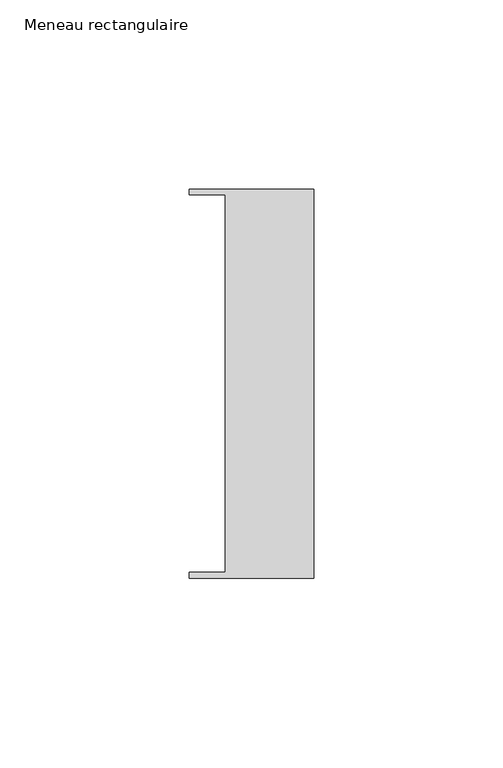
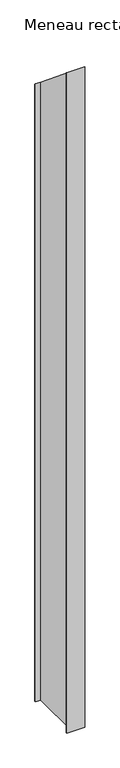
"""IFC4 building model written with IfcOpenShell, lengths in millimetres: member geometry, Meneau rectangulaire."""

from ifc_helpers import new_model, si_unit, origin, place, context, project, spatial, faceted_brep, source, transform, mapped, element, save


def meneau_rectangulaire_a780463f(model_context):
    return source(origin(), model_context, "Body", "Brep", [
        faceted_brep([(-33.0, 51.4622428, -1254.2000003), (0.0, 51.4622428, -1254.2000003), (0.0, -51.4712299, -1254.2000003), (-33.0, -51.4712299, -1254.2000003), (-33.0, -49.9505712, -1254.2000003), (-23.4, -49.9505712, -1254.2000003), (-23.4, 49.9614402, -1254.2000003), (-33.0, 49.9614402, -1254.2000003), (-33.0, 49.9614402, -41.1850331), (-33.0, 51.4622428, -42.4221992), (-23.4, 49.9614402, -41.1850331), (-23.4, -49.9505712, 41.1760733), (-33.0, -49.9505712, 41.1760733), (-33.0, -51.4712299, 42.4296076), (0.0, -51.4712299, 42.4296076), (0.0, 51.4622428, -42.4221992)], [[[0, 1, 2, 3, 4, 5, 6, 7]], [[8, 9, 0, 7]], [[10, 8, 7, 6]], [[11, 10, 6, 5]], [[12, 11, 5, 4]], [[13, 12, 4, 3]], [[14, 13, 3, 2]], [[15, 14, 2, 1]], [[9, 15, 1, 0]], [[9, 8, 10, 11, 12, 13, 14, 15]]]),
    ])


if __name__ == "__main__":
    model = new_model("IFC4")
    model_context = context("Model", 3, world=origin())
    ifc_project = project(units=[si_unit("LENGTHUNIT", "METRE", prefix="MILLI")], contexts=[model_context])
    site = spatial("IfcSite", under=ifc_project)
    building = spatial("IfcBuilding", under=site)
    placement = place(None, origin())
    meneau_rectangulaire_shape = meneau_rectangulaire_a780463f(model_context)
    element("IfcMember", 1, ObjectType="Meneau rectangulaire", at=placement, inside=building, context=model_context, shape_type="MappedRepresentation", body=[
        mapped(meneau_rectangulaire_shape, transform((0.0, 0.0, 0.0), x_axis=(1.0, 0.0, 0.0), y_axis=(0.0, 1.0, 0.0), z_axis=(0.0, 0.0, 1.0))),
    ])
    save(model, "model.ifc")
